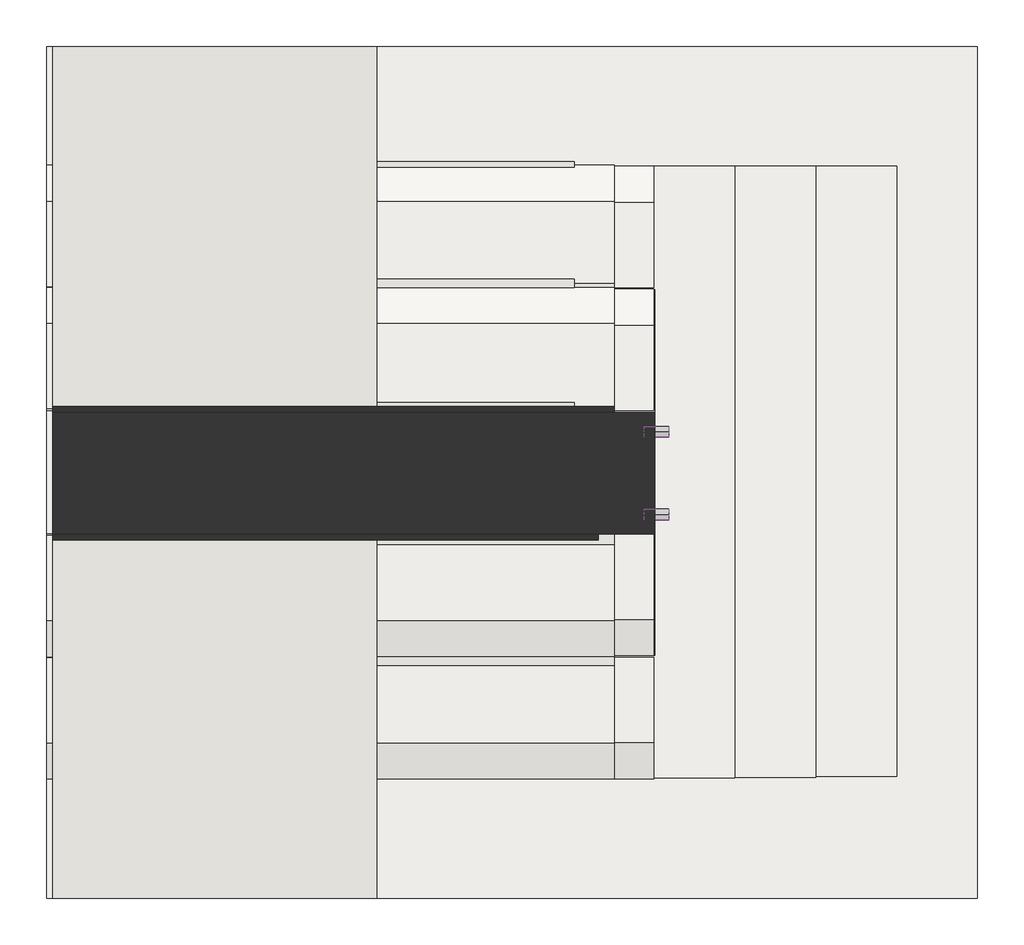
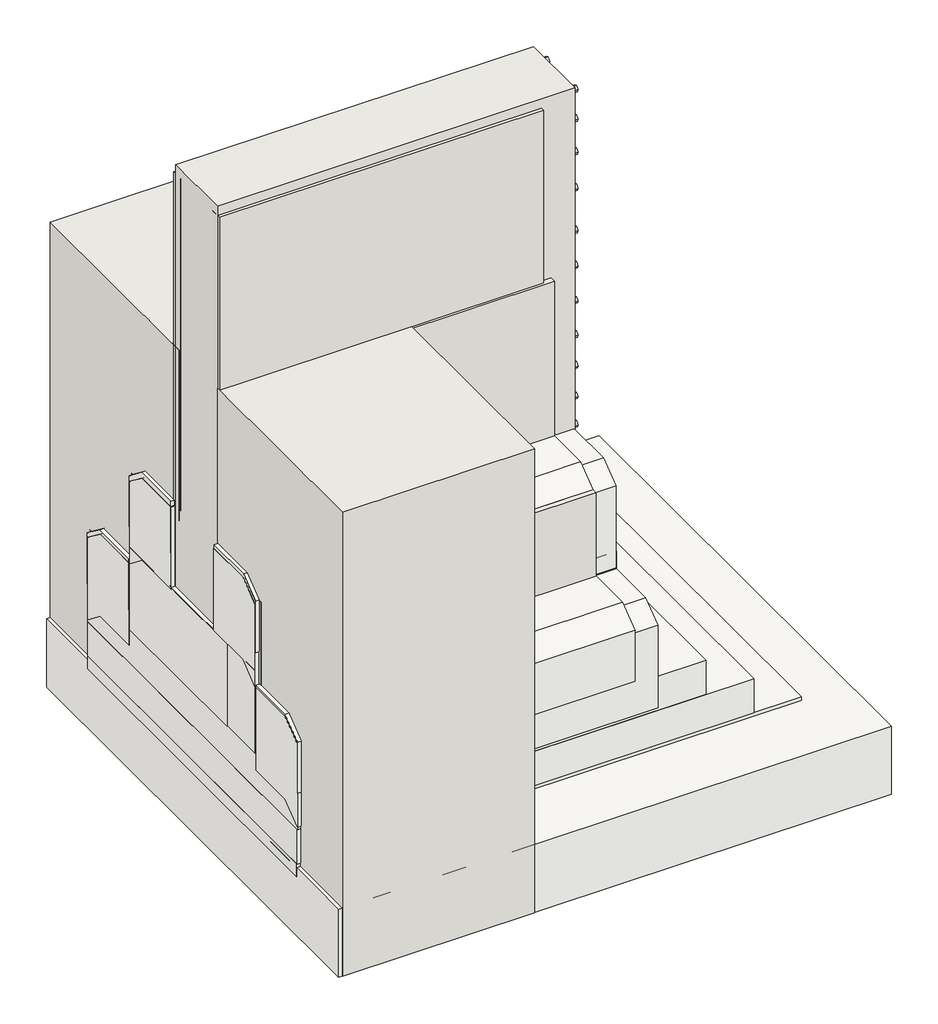
# One storey: 26 pipe segments, 13 slabs, 12 walls, 1 covering.
"""IFC4 building model written with IfcOpenShell, lengths in millimetres."""

from ifc_helpers import new_model, si_unit, point, frame, frame_2d, origin, origin_with_axes, place, context, project, spatial, polyline, circle_curve, trimmed, segment, composite_curve, outline, extrude, faceted_brep, element, save

model = new_model("IFC4")

# Units and contexts
model_context = context("Model", 3, world=origin())
ifc_project = project(units=[si_unit("LENGTHUNIT", "METRE", prefix="MILLI")], contexts=[model_context])

# Site, building, storey
site = spatial("IfcSite", under=ifc_project)
building = spatial("IfcBuilding", under=site)
storey = spatial("IfcBuildingStorey", under=building, Elevation=0.0)

# Covering
placement = place(None, origin())
element("IfcCovering", 1, at=placement, inside=storey, context=model_context, shape_type="SweptSolid", body=[
    extrude(outline(polyline([(-20905.9081132, 974.1942864), (-20905.9081132, -533.3441327), (-23005.9081132, -533.3441327), (-23005.9081132, 974.1942864), (-20905.9081132, 974.1942864)])), frame((0.0, 0.0, -1080.0), z_axis=(0.0, 0.0, 1.0), x_axis=(1.0, 0.0, 0.0)), (0.0, 0.0, 1.0), 57.0),
])

# Pipe segments
element("IfcPipeSegment", 2, at=placement, inside=storey, context=model_context, shape_type="SweptSolid", body=[
    extrude(outline(composite_curve([segment(trimmed(circle_curve(frame_2d((317.6558695, -296.8)), 13.335), [point((330.9908695, -296.8))], [point((317.6558695, -310.135))], False, "CARTESIAN"), True, "CONTINUOUS"), segment(trimmed(circle_curve(frame_2d((317.6558695, -296.8)), 13.335), [point((317.6558695, -310.135))], [point((304.3208695, -296.8))], False, "CARTESIAN"), True, "CONTINUOUS"), segment(trimmed(circle_curve(frame_2d((317.6558695, -296.8)), 13.335), [point((304.3208695, -296.8))], [point((317.6558695, -283.465))], False, "CARTESIAN"), True, "CONTINUOUS"), segment(trimmed(circle_curve(frame_2d((317.6558695, -296.8)), 13.335), [point((317.6558695, -283.465))], [point((330.9908695, -296.8))], False, "CARTESIAN"), True, "CONTINUOUS")], self_intersect=False)), frame((-21529.1816929, 0.0, 0.0), z_axis=(1.0, 0.0, 0.0), x_axis=(0.0, 1.0, 0.0)), (0.0, 0.0, 1.0), 60.0),
])
element("IfcPipeSegment", 3, at=placement, inside=storey, context=model_context, shape_type="SweptSolid", body=[
    extrude(outline(composite_curve([segment(trimmed(circle_curve(frame_2d((113.0511207, -296.8)), 13.335), [point((126.3861207, -296.8))], [point((113.0511207, -310.135))], False, "CARTESIAN"), True, "CONTINUOUS"), segment(trimmed(circle_curve(frame_2d((113.0511207, -296.8)), 13.335), [point((113.0511207, -310.135))], [point((99.7161207, -296.8))], False, "CARTESIAN"), True, "CONTINUOUS"), segment(trimmed(circle_curve(frame_2d((113.0511207, -296.8)), 13.335), [point((99.7161207, -296.8))], [point((113.0511207, -283.465))], False, "CARTESIAN"), True, "CONTINUOUS"), segment(trimmed(circle_curve(frame_2d((113.0511207, -296.8)), 13.335), [point((113.0511207, -283.465))], [point((126.3861207, -296.8))], False, "CARTESIAN"), True, "CONTINUOUS")], self_intersect=False)), frame((-21529.1816929, 0.0, 0.0), z_axis=(1.0, 0.0, 0.0), x_axis=(0.0, 1.0, 0.0)), (0.0, 0.0, 1.0), 60.0),
])
element("IfcPipeSegment", 4, at=placement, inside=storey, context=model_context, shape_type="SweptSolid", body=[
    extrude(outline(composite_curve([segment(trimmed(circle_curve(frame_2d((317.6558695, -146.8)), 13.335), [point((330.9908695, -146.8))], [point((317.6558695, -160.135))], False, "CARTESIAN"), True, "CONTINUOUS"), segment(trimmed(circle_curve(frame_2d((317.6558695, -146.8)), 13.335), [point((317.6558695, -160.135))], [point((304.3208695, -146.8))], False, "CARTESIAN"), True, "CONTINUOUS"), segment(trimmed(circle_curve(frame_2d((317.6558695, -146.8)), 13.335), [point((304.3208695, -146.8))], [point((317.6558695, -133.465))], False, "CARTESIAN"), True, "CONTINUOUS"), segment(trimmed(circle_curve(frame_2d((317.6558695, -146.8)), 13.335), [point((317.6558695, -133.465))], [point((330.9908695, -146.8))], False, "CARTESIAN"), True, "CONTINUOUS")], self_intersect=False)), frame((-21529.1816929, 0.0, 0.0), z_axis=(1.0, 0.0, 0.0), x_axis=(0.0, 1.0, 0.0)), (0.0, 0.0, 1.0), 60.0),
])
element("IfcPipeSegment", 5, at=placement, inside=storey, context=model_context, shape_type="SweptSolid", body=[
    extrude(outline(composite_curve([segment(trimmed(circle_curve(frame_2d((113.0511207, -146.8)), 13.335), [point((126.3861207, -146.8))], [point((113.0511207, -160.135))], False, "CARTESIAN"), True, "CONTINUOUS"), segment(trimmed(circle_curve(frame_2d((113.0511207, -146.8)), 13.335), [point((113.0511207, -160.135))], [point((99.7161207, -146.8))], False, "CARTESIAN"), True, "CONTINUOUS"), segment(trimmed(circle_curve(frame_2d((113.0511207, -146.8)), 13.335), [point((99.7161207, -146.8))], [point((113.0511207, -133.465))], False, "CARTESIAN"), True, "CONTINUOUS"), segment(trimmed(circle_curve(frame_2d((113.0511207, -146.8)), 13.335), [point((113.0511207, -133.465))], [point((126.3861207, -146.8))], False, "CARTESIAN"), True, "CONTINUOUS")], self_intersect=False)), frame((-21529.1816929, 0.0, 0.0), z_axis=(1.0, 0.0, 0.0), x_axis=(0.0, 1.0, 0.0)), (0.0, 0.0, 1.0), 60.0),
])
element("IfcPipeSegment", 6, at=placement, inside=storey, context=model_context, shape_type="SweptSolid", body=[
    extrude(outline(composite_curve([segment(trimmed(circle_curve(frame_2d((317.6558695, -16.8)), 13.335), [point((330.9908695, -16.8))], [point((317.6558695, -30.135))], False, "CARTESIAN"), True, "CONTINUOUS"), segment(trimmed(circle_curve(frame_2d((317.6558695, -16.8)), 13.335), [point((317.6558695, -30.135))], [point((304.3208695, -16.8))], False, "CARTESIAN"), True, "CONTINUOUS"), segment(trimmed(circle_curve(frame_2d((317.6558695, -16.8)), 13.335), [point((304.3208695, -16.8))], [point((317.6558695, -3.465))], False, "CARTESIAN"), True, "CONTINUOUS"), segment(trimmed(circle_curve(frame_2d((317.6558695, -16.8)), 13.335), [point((317.6558695, -3.465))], [point((330.9908695, -16.8))], False, "CARTESIAN"), True, "CONTINUOUS")], self_intersect=False)), frame((-21529.1816929, 0.0, 0.0), z_axis=(1.0, 0.0, 0.0), x_axis=(0.0, 1.0, 0.0)), (0.0, 0.0, 1.0), 60.0),
])
element("IfcPipeSegment", 7, at=placement, inside=storey, context=model_context, shape_type="SweptSolid", body=[
    extrude(outline(composite_curve([segment(trimmed(circle_curve(frame_2d((113.0511207, -16.8)), 13.335), [point((126.3861207, -16.8))], [point((113.0511207, -30.135))], False, "CARTESIAN"), True, "CONTINUOUS"), segment(trimmed(circle_curve(frame_2d((113.0511207, -16.8)), 13.335), [point((113.0511207, -30.135))], [point((99.7161207, -16.8))], False, "CARTESIAN"), True, "CONTINUOUS"), segment(trimmed(circle_curve(frame_2d((113.0511207, -16.8)), 13.335), [point((99.7161207, -16.8))], [point((113.0511207, -3.465))], False, "CARTESIAN"), True, "CONTINUOUS"), segment(trimmed(circle_curve(frame_2d((113.0511207, -16.8)), 13.335), [point((113.0511207, -3.465))], [point((126.3861207, -16.8))], False, "CARTESIAN"), True, "CONTINUOUS")], self_intersect=False)), frame((-21529.1816929, 0.0, 0.0), z_axis=(1.0, 0.0, 0.0), x_axis=(0.0, 1.0, 0.0)), (0.0, 0.0, 1.0), 60.0),
])
element("IfcPipeSegment", 8, at=placement, inside=storey, context=model_context, shape_type="SweptSolid", body=[
    extrude(outline(composite_curve([segment(trimmed(circle_curve(frame_2d((317.6558695, 108.2)), 13.335), [point((330.9908695, 108.2))], [point((317.6558695, 94.865))], False, "CARTESIAN"), True, "CONTINUOUS"), segment(trimmed(circle_curve(frame_2d((317.6558695, 108.2)), 13.335), [point((317.6558695, 94.865))], [point((304.3208695, 108.2))], False, "CARTESIAN"), True, "CONTINUOUS"), segment(trimmed(circle_curve(frame_2d((317.6558695, 108.2)), 13.335), [point((304.3208695, 108.2))], [point((317.6558695, 121.535))], False, "CARTESIAN"), True, "CONTINUOUS"), segment(trimmed(circle_curve(frame_2d((317.6558695, 108.2)), 13.335), [point((317.6558695, 121.535))], [point((330.9908695, 108.2))], False, "CARTESIAN"), True, "CONTINUOUS")], self_intersect=False)), frame((-21529.1816929, 0.0, 0.0), z_axis=(1.0, 0.0, 0.0), x_axis=(0.0, 1.0, 0.0)), (0.0, 0.0, 1.0), 60.0),
])
element("IfcPipeSegment", 9, at=placement, inside=storey, context=model_context, shape_type="SweptSolid", body=[
    extrude(outline(composite_curve([segment(trimmed(circle_curve(frame_2d((113.0511207, 108.2)), 13.335), [point((126.3861207, 108.2))], [point((113.0511207, 94.865))], False, "CARTESIAN"), True, "CONTINUOUS"), segment(trimmed(circle_curve(frame_2d((113.0511207, 108.2)), 13.335), [point((113.0511207, 94.865))], [point((99.7161207, 108.2))], False, "CARTESIAN"), True, "CONTINUOUS"), segment(trimmed(circle_curve(frame_2d((113.0511207, 108.2)), 13.335), [point((99.7161207, 108.2))], [point((113.0511207, 121.535))], False, "CARTESIAN"), True, "CONTINUOUS"), segment(trimmed(circle_curve(frame_2d((113.0511207, 108.2)), 13.335), [point((113.0511207, 121.535))], [point((126.3861207, 108.2))], False, "CARTESIAN"), True, "CONTINUOUS")], self_intersect=False)), frame((-21529.1816929, 0.0, 0.0), z_axis=(1.0, 0.0, 0.0), x_axis=(0.0, 1.0, 0.0)), (0.0, 0.0, 1.0), 60.0),
])
element("IfcPipeSegment", 10, at=placement, inside=storey, context=model_context, shape_type="SweptSolid", body=[
    extrude(outline(composite_curve([segment(trimmed(circle_curve(frame_2d((317.6558695, 243.2)), 13.335), [point((330.9908695, 243.2))], [point((317.6558695, 229.865))], False, "CARTESIAN"), True, "CONTINUOUS"), segment(trimmed(circle_curve(frame_2d((317.6558695, 243.2)), 13.335), [point((317.6558695, 229.865))], [point((304.3208695, 243.2))], False, "CARTESIAN"), True, "CONTINUOUS"), segment(trimmed(circle_curve(frame_2d((317.6558695, 243.2)), 13.335), [point((304.3208695, 243.2))], [point((317.6558695, 256.535))], False, "CARTESIAN"), True, "CONTINUOUS"), segment(trimmed(circle_curve(frame_2d((317.6558695, 243.2)), 13.335), [point((317.6558695, 256.535))], [point((330.9908695, 243.2))], False, "CARTESIAN"), True, "CONTINUOUS")], self_intersect=False)), frame((-21529.1816929, 0.0, 0.0), z_axis=(1.0, 0.0, 0.0), x_axis=(0.0, 1.0, 0.0)), (0.0, 0.0, 1.0), 60.0),
])
element("IfcPipeSegment", 11, at=placement, inside=storey, context=model_context, shape_type="SweptSolid", body=[
    extrude(outline(composite_curve([segment(trimmed(circle_curve(frame_2d((113.0511207, 243.2)), 13.335), [point((126.3861207, 243.2))], [point((113.0511207, 229.865))], False, "CARTESIAN"), True, "CONTINUOUS"), segment(trimmed(circle_curve(frame_2d((113.0511207, 243.2)), 13.335), [point((113.0511207, 229.865))], [point((99.7161207, 243.2))], False, "CARTESIAN"), True, "CONTINUOUS"), segment(trimmed(circle_curve(frame_2d((113.0511207, 243.2)), 13.335), [point((99.7161207, 243.2))], [point((113.0511207, 256.535))], False, "CARTESIAN"), True, "CONTINUOUS"), segment(trimmed(circle_curve(frame_2d((113.0511207, 243.2)), 13.335), [point((113.0511207, 256.535))], [point((126.3861207, 243.2))], False, "CARTESIAN"), True, "CONTINUOUS")], self_intersect=False)), frame((-21529.1816929, 0.0, 0.0), z_axis=(1.0, 0.0, 0.0), x_axis=(0.0, 1.0, 0.0)), (0.0, 0.0, 1.0), 60.0),
])
element("IfcPipeSegment", 12, at=placement, inside=storey, context=model_context, shape_type="SweptSolid", body=[
    extrude(outline(composite_curve([segment(trimmed(circle_curve(frame_2d((317.6558695, 378.2)), 13.335), [point((330.9908695, 378.2))], [point((317.6558695, 364.865))], False, "CARTESIAN"), True, "CONTINUOUS"), segment(trimmed(circle_curve(frame_2d((317.6558695, 378.2)), 13.335), [point((317.6558695, 364.865))], [point((304.3208695, 378.2))], False, "CARTESIAN"), True, "CONTINUOUS"), segment(trimmed(circle_curve(frame_2d((317.6558695, 378.2)), 13.335), [point((304.3208695, 378.2))], [point((317.6558695, 391.535))], False, "CARTESIAN"), True, "CONTINUOUS"), segment(trimmed(circle_curve(frame_2d((317.6558695, 378.2)), 13.335), [point((317.6558695, 391.535))], [point((330.9908695, 378.2))], False, "CARTESIAN"), True, "CONTINUOUS")], self_intersect=False)), frame((-21529.1816929, 0.0, 0.0), z_axis=(1.0, 0.0, 0.0), x_axis=(0.0, 1.0, 0.0)), (0.0, 0.0, 1.0), 60.0),
])
element("IfcPipeSegment", 13, at=placement, inside=storey, context=model_context, shape_type="SweptSolid", body=[
    extrude(outline(composite_curve([segment(trimmed(circle_curve(frame_2d((113.0511207, 378.2)), 13.335), [point((126.3861207, 378.2))], [point((113.0511207, 364.865))], False, "CARTESIAN"), True, "CONTINUOUS"), segment(trimmed(circle_curve(frame_2d((113.0511207, 378.2)), 13.335), [point((113.0511207, 364.865))], [point((99.7161207, 378.2))], False, "CARTESIAN"), True, "CONTINUOUS"), segment(trimmed(circle_curve(frame_2d((113.0511207, 378.2)), 13.335), [point((99.7161207, 378.2))], [point((113.0511207, 391.535))], False, "CARTESIAN"), True, "CONTINUOUS"), segment(trimmed(circle_curve(frame_2d((113.0511207, 378.2)), 13.335), [point((113.0511207, 391.535))], [point((126.3861207, 378.2))], False, "CARTESIAN"), True, "CONTINUOUS")], self_intersect=False)), frame((-21529.1816929, 0.0, 0.0), z_axis=(1.0, 0.0, 0.0), x_axis=(0.0, 1.0, 0.0)), (0.0, 0.0, 1.0), 60.0),
])
element("IfcPipeSegment", 14, at=placement, inside=storey, context=model_context, shape_type="SweptSolid", body=[
    extrude(outline(composite_curve([segment(trimmed(circle_curve(frame_2d((317.6558695, 528.2)), 13.335), [point((330.9908695, 528.2))], [point((317.6558695, 514.865))], False, "CARTESIAN"), True, "CONTINUOUS"), segment(trimmed(circle_curve(frame_2d((317.6558695, 528.2)), 13.335), [point((317.6558695, 514.865))], [point((304.3208695, 528.2))], False, "CARTESIAN"), True, "CONTINUOUS"), segment(trimmed(circle_curve(frame_2d((317.6558695, 528.2)), 13.335), [point((304.3208695, 528.2))], [point((317.6558695, 541.535))], False, "CARTESIAN"), True, "CONTINUOUS"), segment(trimmed(circle_curve(frame_2d((317.6558695, 528.2)), 13.335), [point((317.6558695, 541.535))], [point((330.9908695, 528.2))], False, "CARTESIAN"), True, "CONTINUOUS")], self_intersect=False)), frame((-21529.1816929, 0.0, 0.0), z_axis=(1.0, 0.0, 0.0), x_axis=(0.0, 1.0, 0.0)), (0.0, 0.0, 1.0), 60.0),
])
element("IfcPipeSegment", 15, at=placement, inside=storey, context=model_context, shape_type="SweptSolid", body=[
    extrude(outline(composite_curve([segment(trimmed(circle_curve(frame_2d((113.0511207, 528.2)), 13.335), [point((126.3861207, 528.2))], [point((113.0511207, 514.865))], False, "CARTESIAN"), True, "CONTINUOUS"), segment(trimmed(circle_curve(frame_2d((113.0511207, 528.2)), 13.335), [point((113.0511207, 514.865))], [point((99.7161207, 528.2))], False, "CARTESIAN"), True, "CONTINUOUS"), segment(trimmed(circle_curve(frame_2d((113.0511207, 528.2)), 13.335), [point((99.7161207, 528.2))], [point((113.0511207, 541.535))], False, "CARTESIAN"), True, "CONTINUOUS"), segment(trimmed(circle_curve(frame_2d((113.0511207, 528.2)), 13.335), [point((113.0511207, 541.535))], [point((126.3861207, 528.2))], False, "CARTESIAN"), True, "CONTINUOUS")], self_intersect=False)), frame((-21529.1816929, 0.0, 0.0), z_axis=(1.0, 0.0, 0.0), x_axis=(0.0, 1.0, 0.0)), (0.0, 0.0, 1.0), 60.0),
])
element("IfcPipeSegment", 16, at=placement, inside=storey, context=model_context, shape_type="SweptSolid", body=[
    extrude(outline(composite_curve([segment(trimmed(circle_curve(frame_2d((317.6558695, 683.2)), 13.335), [point((330.9908695, 683.2))], [point((317.6558695, 669.865))], False, "CARTESIAN"), True, "CONTINUOUS"), segment(trimmed(circle_curve(frame_2d((317.6558695, 683.2)), 13.335), [point((317.6558695, 669.865))], [point((304.3208695, 683.2))], False, "CARTESIAN"), True, "CONTINUOUS"), segment(trimmed(circle_curve(frame_2d((317.6558695, 683.2)), 13.335), [point((304.3208695, 683.2))], [point((317.6558695, 696.535))], False, "CARTESIAN"), True, "CONTINUOUS"), segment(trimmed(circle_curve(frame_2d((317.6558695, 683.2)), 13.335), [point((317.6558695, 696.535))], [point((330.9908695, 683.2))], False, "CARTESIAN"), True, "CONTINUOUS")], self_intersect=False)), frame((-21529.1816929, 0.0, 0.0), z_axis=(1.0, 0.0, 0.0), x_axis=(0.0, 1.0, 0.0)), (0.0, 0.0, 1.0), 60.0),
])
element("IfcPipeSegment", 17, at=placement, inside=storey, context=model_context, shape_type="SweptSolid", body=[
    extrude(outline(composite_curve([segment(trimmed(circle_curve(frame_2d((113.0511207, 683.2)), 13.335), [point((126.3861207, 683.2))], [point((113.0511207, 669.865))], False, "CARTESIAN"), True, "CONTINUOUS"), segment(trimmed(circle_curve(frame_2d((113.0511207, 683.2)), 13.335), [point((113.0511207, 669.865))], [point((99.7161207, 683.2))], False, "CARTESIAN"), True, "CONTINUOUS"), segment(trimmed(circle_curve(frame_2d((113.0511207, 683.2)), 13.335), [point((99.7161207, 683.2))], [point((113.0511207, 696.535))], False, "CARTESIAN"), True, "CONTINUOUS"), segment(trimmed(circle_curve(frame_2d((113.0511207, 683.2)), 13.335), [point((113.0511207, 696.535))], [point((126.3861207, 683.2))], False, "CARTESIAN"), True, "CONTINUOUS")], self_intersect=False)), frame((-21529.1816929, 0.0, 0.0), z_axis=(1.0, 0.0, 0.0), x_axis=(0.0, 1.0, 0.0)), (0.0, 0.0, 1.0), 60.0),
])
element("IfcPipeSegment", 18, at=placement, inside=storey, context=model_context, shape_type="SweptSolid", body=[
    extrude(outline(composite_curve([segment(trimmed(circle_curve(frame_2d((317.6558695, 838.2)), 13.335), [point((330.9908695, 838.2))], [point((317.6558695, 824.865))], False, "CARTESIAN"), True, "CONTINUOUS"), segment(trimmed(circle_curve(frame_2d((317.6558695, 838.2)), 13.335), [point((317.6558695, 824.865))], [point((304.3208695, 838.2))], False, "CARTESIAN"), True, "CONTINUOUS"), segment(trimmed(circle_curve(frame_2d((317.6558695, 838.2)), 13.335), [point((304.3208695, 838.2))], [point((317.6558695, 851.535))], False, "CARTESIAN"), True, "CONTINUOUS"), segment(trimmed(circle_curve(frame_2d((317.6558695, 838.2)), 13.335), [point((317.6558695, 851.535))], [point((330.9908695, 838.2))], False, "CARTESIAN"), True, "CONTINUOUS")], self_intersect=False)), frame((-21529.1816929, 0.0, 0.0), z_axis=(1.0, 0.0, 0.0), x_axis=(0.0, 1.0, 0.0)), (0.0, 0.0, 1.0), 60.0),
])
element("IfcPipeSegment", 19, at=placement, inside=storey, context=model_context, shape_type="SweptSolid", body=[
    extrude(outline(composite_curve([segment(trimmed(circle_curve(frame_2d((113.0511207, 838.2)), 13.335), [point((126.3861207, 838.2))], [point((113.0511207, 824.865))], False, "CARTESIAN"), True, "CONTINUOUS"), segment(trimmed(circle_curve(frame_2d((113.0511207, 838.2)), 13.335), [point((113.0511207, 824.865))], [point((99.7161207, 838.2))], False, "CARTESIAN"), True, "CONTINUOUS"), segment(trimmed(circle_curve(frame_2d((113.0511207, 838.2)), 13.335), [point((99.7161207, 838.2))], [point((113.0511207, 851.535))], False, "CARTESIAN"), True, "CONTINUOUS"), segment(trimmed(circle_curve(frame_2d((113.0511207, 838.2)), 13.335), [point((113.0511207, 851.535))], [point((126.3861207, 838.2))], False, "CARTESIAN"), True, "CONTINUOUS")], self_intersect=False)), frame((-21529.1816929, 0.0, 0.0), z_axis=(1.0, 0.0, 0.0), x_axis=(0.0, 1.0, 0.0)), (0.0, 0.0, 1.0), 60.0),
])
element("IfcPipeSegment", 20, at=placement, inside=storey, context=model_context, shape_type="SweptSolid", body=[
    extrude(outline(composite_curve([segment(trimmed(circle_curve(frame_2d((317.6558695, 1023.2)), 13.335), [point((330.9908695, 1023.2))], [point((317.6558695, 1009.865))], False, "CARTESIAN"), True, "CONTINUOUS"), segment(trimmed(circle_curve(frame_2d((317.6558695, 1023.2)), 13.335), [point((317.6558695, 1009.865))], [point((304.3208695, 1023.2))], False, "CARTESIAN"), True, "CONTINUOUS"), segment(trimmed(circle_curve(frame_2d((317.6558695, 1023.2)), 13.335), [point((304.3208695, 1023.2))], [point((317.6558695, 1036.535))], False, "CARTESIAN"), True, "CONTINUOUS"), segment(trimmed(circle_curve(frame_2d((317.6558695, 1023.2)), 13.335), [point((317.6558695, 1036.535))], [point((330.9908695, 1023.2))], False, "CARTESIAN"), True, "CONTINUOUS")], self_intersect=False)), frame((-21529.1816929, 0.0, 0.0), z_axis=(1.0, 0.0, 0.0), x_axis=(0.0, 1.0, 0.0)), (0.0, 0.0, 1.0), 60.0),
])
element("IfcPipeSegment", 21, at=placement, inside=storey, context=model_context, shape_type="SweptSolid", body=[
    extrude(outline(composite_curve([segment(trimmed(circle_curve(frame_2d((113.0511207, 1023.2)), 13.335), [point((126.3861207, 1023.2))], [point((113.0511207, 1009.865))], False, "CARTESIAN"), True, "CONTINUOUS"), segment(trimmed(circle_curve(frame_2d((113.0511207, 1023.2)), 13.335), [point((113.0511207, 1009.865))], [point((99.7161207, 1023.2))], False, "CARTESIAN"), True, "CONTINUOUS"), segment(trimmed(circle_curve(frame_2d((113.0511207, 1023.2)), 13.335), [point((99.7161207, 1023.2))], [point((113.0511207, 1036.535))], False, "CARTESIAN"), True, "CONTINUOUS"), segment(trimmed(circle_curve(frame_2d((113.0511207, 1023.2)), 13.335), [point((113.0511207, 1036.535))], [point((126.3861207, 1023.2))], False, "CARTESIAN"), True, "CONTINUOUS")], self_intersect=False)), frame((-21529.1816929, 0.0, 0.0), z_axis=(1.0, 0.0, 0.0), x_axis=(0.0, 1.0, 0.0)), (0.0, 0.0, 1.0), 60.0),
])
element("IfcPipeSegment", 22, at=placement, inside=storey, context=model_context, shape_type="SweptSolid", body=[
    extrude(outline(composite_curve([segment(trimmed(circle_curve(frame_2d((317.6558695, 1183.2)), 13.335), [point((330.9908695, 1183.2))], [point((317.6558695, 1169.865))], False, "CARTESIAN"), True, "CONTINUOUS"), segment(trimmed(circle_curve(frame_2d((317.6558695, 1183.2)), 13.335), [point((317.6558695, 1169.865))], [point((304.3208695, 1183.2))], False, "CARTESIAN"), True, "CONTINUOUS"), segment(trimmed(circle_curve(frame_2d((317.6558695, 1183.2)), 13.335), [point((304.3208695, 1183.2))], [point((317.6558695, 1196.535))], False, "CARTESIAN"), True, "CONTINUOUS"), segment(trimmed(circle_curve(frame_2d((317.6558695, 1183.2)), 13.335), [point((317.6558695, 1196.535))], [point((330.9908695, 1183.2))], False, "CARTESIAN"), True, "CONTINUOUS")], self_intersect=False)), frame((-21529.1816929, 0.0, 0.0), z_axis=(1.0, 0.0, 0.0), x_axis=(0.0, 1.0, 0.0)), (0.0, 0.0, 1.0), 60.0),
])
element("IfcPipeSegment", 23, at=placement, inside=storey, context=model_context, shape_type="SweptSolid", body=[
    extrude(outline(composite_curve([segment(trimmed(circle_curve(frame_2d((113.0511207, 1183.2)), 13.335), [point((126.3861207, 1183.2))], [point((113.0511207, 1169.865))], False, "CARTESIAN"), True, "CONTINUOUS"), segment(trimmed(circle_curve(frame_2d((113.0511207, 1183.2)), 13.335), [point((113.0511207, 1169.865))], [point((99.7161207, 1183.2))], False, "CARTESIAN"), True, "CONTINUOUS"), segment(trimmed(circle_curve(frame_2d((113.0511207, 1183.2)), 13.335), [point((99.7161207, 1183.2))], [point((113.0511207, 1196.535))], False, "CARTESIAN"), True, "CONTINUOUS"), segment(trimmed(circle_curve(frame_2d((113.0511207, 1183.2)), 13.335), [point((113.0511207, 1196.535))], [point((126.3861207, 1183.2))], False, "CARTESIAN"), True, "CONTINUOUS")], self_intersect=False)), frame((-21529.1816929, 0.0, 0.0), z_axis=(1.0, 0.0, 0.0), x_axis=(0.0, 1.0, 0.0)), (0.0, 0.0, 1.0), 60.0),
])
element("IfcPipeSegment", 24, at=placement, inside=storey, context=model_context, shape_type="SweptSolid", body=[
    extrude(outline(composite_curve([segment(trimmed(circle_curve(frame_2d((317.6558695, 1328.2)), 13.335), [point((330.9908695, 1328.2))], [point((317.6558695, 1314.865))], False, "CARTESIAN"), True, "CONTINUOUS"), segment(trimmed(circle_curve(frame_2d((317.6558695, 1328.2)), 13.335), [point((317.6558695, 1314.865))], [point((304.3208695, 1328.2))], False, "CARTESIAN"), True, "CONTINUOUS"), segment(trimmed(circle_curve(frame_2d((317.6558695, 1328.2)), 13.335), [point((304.3208695, 1328.2))], [point((317.6558695, 1341.535))], False, "CARTESIAN"), True, "CONTINUOUS"), segment(trimmed(circle_curve(frame_2d((317.6558695, 1328.2)), 13.335), [point((317.6558695, 1341.535))], [point((330.9908695, 1328.2))], False, "CARTESIAN"), True, "CONTINUOUS")], self_intersect=False)), frame((-21529.1816929, 0.0, 0.0), z_axis=(1.0, 0.0, 0.0), x_axis=(0.0, 1.0, 0.0)), (0.0, 0.0, 1.0), 60.0),
])
element("IfcPipeSegment", 25, at=placement, inside=storey, context=model_context, shape_type="SweptSolid", body=[
    extrude(outline(composite_curve([segment(trimmed(circle_curve(frame_2d((113.0511207, 1328.2)), 13.335), [point((126.3861207, 1328.2))], [point((113.0511207, 1314.865))], False, "CARTESIAN"), True, "CONTINUOUS"), segment(trimmed(circle_curve(frame_2d((113.0511207, 1328.2)), 13.335), [point((113.0511207, 1314.865))], [point((99.7161207, 1328.2))], False, "CARTESIAN"), True, "CONTINUOUS"), segment(trimmed(circle_curve(frame_2d((113.0511207, 1328.2)), 13.335), [point((99.7161207, 1328.2))], [point((113.0511207, 1341.535))], False, "CARTESIAN"), True, "CONTINUOUS"), segment(trimmed(circle_curve(frame_2d((113.0511207, 1328.2)), 13.335), [point((113.0511207, 1341.535))], [point((126.3861207, 1328.2))], False, "CARTESIAN"), True, "CONTINUOUS")], self_intersect=False)), frame((-21529.1816929, 0.0, 0.0), z_axis=(1.0, 0.0, 0.0), x_axis=(0.0, 1.0, 0.0)), (0.0, 0.0, 1.0), 60.0),
])
element("IfcPipeSegment", 26, at=placement, inside=storey, context=model_context, shape_type="SweptSolid", body=[
    extrude(outline(composite_curve([segment(trimmed(circle_curve(frame_2d((317.6558695, 1458.2)), 13.335), [point((330.9908695, 1458.2))], [point((317.6558695, 1444.865))], False, "CARTESIAN"), True, "CONTINUOUS"), segment(trimmed(circle_curve(frame_2d((317.6558695, 1458.2)), 13.335), [point((317.6558695, 1444.865))], [point((304.3208695, 1458.2))], False, "CARTESIAN"), True, "CONTINUOUS"), segment(trimmed(circle_curve(frame_2d((317.6558695, 1458.2)), 13.335), [point((304.3208695, 1458.2))], [point((317.6558695, 1471.535))], False, "CARTESIAN"), True, "CONTINUOUS"), segment(trimmed(circle_curve(frame_2d((317.6558695, 1458.2)), 13.335), [point((317.6558695, 1471.535))], [point((330.9908695, 1458.2))], False, "CARTESIAN"), True, "CONTINUOUS")], self_intersect=False)), frame((-21529.1816929, 0.0, 0.0), z_axis=(1.0, 0.0, 0.0), x_axis=(0.0, 1.0, 0.0)), (0.0, 0.0, 1.0), 60.0),
])
element("IfcPipeSegment", 27, at=placement, inside=storey, context=model_context, shape_type="SweptSolid", body=[
    extrude(outline(composite_curve([segment(trimmed(circle_curve(frame_2d((113.0511207, 1458.2)), 13.335), [point((126.3861207, 1458.2))], [point((113.0511207, 1444.865))], False, "CARTESIAN"), True, "CONTINUOUS"), segment(trimmed(circle_curve(frame_2d((113.0511207, 1458.2)), 13.335), [point((113.0511207, 1444.865))], [point((99.7161207, 1458.2))], False, "CARTESIAN"), True, "CONTINUOUS"), segment(trimmed(circle_curve(frame_2d((113.0511207, 1458.2)), 13.335), [point((99.7161207, 1458.2))], [point((113.0511207, 1471.535))], False, "CARTESIAN"), True, "CONTINUOUS"), segment(trimmed(circle_curve(frame_2d((113.0511207, 1458.2)), 13.335), [point((113.0511207, 1471.535))], [point((126.3861207, 1458.2))], False, "CARTESIAN"), True, "CONTINUOUS")], self_intersect=False)), frame((-21529.1816929, 0.0, 0.0), z_axis=(1.0, 0.0, 0.0), x_axis=(0.0, 1.0, 0.0)), (0.0, 0.0, 1.0), 60.0),
])

# Slabs
element("IfcSlab", 28, at=placement, inside=storey, context=model_context, shape_type="SweptSolid", body=[
    extrude(outline(polyline([(370.0324103, -364.5716238), (370.0324103, -2.5716238), (580.6103188, -2.5716238), (670.0324103, -70.8526676), (670.0324103, -432.8526676), (580.6103188, -364.5716238), (370.0324103, -364.5716238)])), frame((-23005.9081132, 0.0, 0.0), z_axis=(1.0, 0.0, 0.0), x_axis=(0.0, 1.0, 0.0)), (0.0, 0.0, 1.0), 1500.0),
])
element("IfcSlab", 29, at=placement, inside=storey, context=model_context, shape_type="SweptSolid", body=[
    extrude(outline(polyline([(674.1942864, -795.2473964), (674.1942864, -433.2473964), (884.7721949, -433.2473964), (974.1942864, -501.5284401), (974.1942864, -863.5284401), (884.7721949, -795.2473964), (674.1942864, -795.2473964)])), frame((-23005.9081132, 0.0, 0.0), z_axis=(1.0, 0.0, 0.0), x_axis=(0.0, 1.0, 0.0)), (0.0, 0.0, 1.0), 1500.0),
])
element("IfcSlab", 30, at=placement, inside=storey, context=model_context, shape_type="SweptSolid", body=[
    extrude(outline(polyline([(-23005.9081132, 669.2125672), (-21502.6922002, 669.2125672), (-21502.6922002, -30.7874328), (-23005.9081132, -30.7874328), (-23005.9081132, 669.2125672)])), frame((0.0, 0.0, -722.5716238), z_axis=(0.0, 0.0, 1.0), x_axis=(1.0, 0.0, 0.0)), (0.0, 0.0, 1.0), 362.0),
])
element("IfcSlab", 31, at=placement, inside=storey, context=model_context, shape_type="SweptSolid", body=[
    extrude(outline(polyline([(-235.2838793, -427.70942), (-235.2838793, -65.70942), (-145.8617878, 2.5716238), (64.7161207, 2.5716238), (64.7161207, -359.4283762), (-145.8617878, -359.4283762), (-235.2838793, -427.70942)])), frame((-23005.9081132, 0.0, 0.0), z_axis=(1.0, 0.0, 0.0), x_axis=(0.0, 1.0, 0.0)), (0.0, 0.0, 1.0), 1500.0),
])
element("IfcSlab", 32, at=placement, inside=storey, context=model_context, shape_type="SweptSolid", body=[
    extrude(outline(polyline([(-539.4457554, -858.3851925), (-539.4457554, -496.3851925), (-450.0236639, -428.1041487), (-239.4457554, -428.1041487), (-239.4457554, -790.1041487), (-450.0236639, -790.1041487), (-539.4457554, -858.3851925)])), frame((-23005.9081132, 0.0, 0.0), z_axis=(1.0, 0.0, 0.0), x_axis=(0.0, 1.0, 0.0)), (0.0, 0.0, 1.0), 1500.0),
])
element("IfcSlab", 33, at=placement, inside=storey, context=model_context, shape_type="SweptSolid", body=[
    extrude(outline(polyline([(-21502.6922002, -234.4640361), (-23005.9081132, -234.4640361), (-23005.9081132, 465.5359639), (-21502.6922002, 465.5359639), (-21502.6922002, -234.4640361)])), frame((0.0, 0.0, -717.4283762), z_axis=(0.0, 0.0, 1.0), x_axis=(1.0, 0.0, 0.0)), (0.0, 0.0, 1.0), 362.0),
])
element("IfcSlab", 34, at=placement, inside=storey, context=model_context, shape_type="SweptSolid", body=[
    extrude(outline(polyline([(-23005.9081132, -538.090153), (-23005.9081132, 974.1942864), (-21305.9081132, 974.1942864), (-21305.9081132, -538.090153), (-23005.9081132, -538.090153)])), frame((0.0, 0.0, -870.0), z_axis=(0.0, 0.0, 1.0), x_axis=(1.0, 0.0, 0.0)), (0.0, 0.0, 1.0), 150.0),
])
element("IfcSlab", 35, at=placement, inside=storey, context=model_context, shape_type="SweptSolid", body=[
    extrude(outline(polyline([(-23005.9081132, -536.4088162), (-23005.9081132, 974.1942864), (-21105.9081132, 974.1942864), (-21105.9081132, -536.4088162), (-23005.9081132, -536.4088162)])), frame((0.0, 0.0, -1022.4339845), z_axis=(0.0, 0.0, 1.0), x_axis=(1.0, 0.0, 0.0)), (0.0, 0.0, 1.0), 150.0),
])
element("IfcSlab", 36, at=placement, inside=storey, context=model_context, shape_type="SweptSolid", body=[
    extrude(outline(polyline([(-23005.9081132, -835.2838793), (-23005.9081132, 1270.0324103), (-20705.9081132, 1270.0324103), (-20705.9081132, -835.2838793), (-23005.9081132, -835.2838793)])), frame((0.0, 0.0, -1340.0), z_axis=(0.0, 0.0, 1.0), x_axis=(1.0, 0.0, 0.0)), (0.0, 0.0, 1.0), 300.0),
])
element("IfcSlab", 37, at=placement, inside=storey, context=model_context, shape_type="Brep", body=[
    faceted_brep([(-23005.9081132, 674.6816823, -273.2810438), (-23005.9081132, 674.6816823, -48.2810438), (-21602.6922002, 674.6816823, -48.2810438), (-21602.6922002, 674.6816823, -273.2810438), (-21602.6922002, 585.2595908, 20.0), (-21602.6922002, 379.7161207, 20.0), (-21602.6922002, 374.6816823, 20.0), (-21602.6922002, 374.6816823, 0.0), (-21602.6922002, 374.6816823, -205.0), (-21602.6922002, 585.2595908, -205.0), (-22990.1790263, 374.6816823, 20.0), (-23005.9081132, 374.6816823, 20.0), (-23005.9081132, 374.6816823, -205.0), (-23005.9081132, 585.2595908, 20.0), (-23005.9081132, 585.2595908, -205.0)], [[[0, 1, 2, 3]], [[3, 2, 4, 5, 6, 7, 8, 9]], [[8, 7, 6, 10, 11, 12]], [[12, 11, 13, 1, 0, 14]], [[11, 10, 6, 5, 4, 13]], [[12, 14, 9, 8]], [[2, 1, 13, 4]], [[3, 9, 14, 0]]]),
])
element("IfcSlab", 38, at=placement, inside=storey, context=model_context, shape_type="SweptSolid", body=[
    extrude(outline(polyline([(676.7623155, -640.0), (676.7623155, -415.0), (887.340224, -415.0), (976.7623155, -483.2810438), (976.7623155, -708.2810438), (887.340224, -640.0), (676.7623155, -640.0)])), frame((-23005.9081132, 0.0, 0.0), z_axis=(1.0, 0.0, 0.0), x_axis=(0.0, 1.0, 0.0)), (0.0, 0.0, 1.0), 1403.215913),
])
element("IfcSlab", 39, at=placement, inside=storey, context=model_context, shape_type="SweptSolid", body=[
    extrude(outline(polyline([(-238.5775488, -273.2810438), (-238.5775488, -48.2810438), (-149.1554573, 20.0), (61.4224512, 20.0), (61.4224512, -205.0), (-149.1554573, -205.0), (-238.5775488, -273.2810438)])), frame((-23005.9081132, 0.0, 0.0), z_axis=(1.0, 0.0, 0.0), x_axis=(0.0, 1.0, 0.0)), (0.0, 0.0, 1.0), 1403.215913),
])
element("IfcSlab", 40, at=placement, inside=storey, context=model_context, shape_type="SweptSolid", body=[
    extrude(outline(polyline([(-540.658182, -708.2810438), (-540.658182, -483.2810438), (-451.2360905, -415.0), (-240.658182, -415.0), (-240.658182, -640.0), (-451.2360905, -640.0), (-540.658182, -708.2810438)])), frame((-23005.9081132, 0.0, 0.0), z_axis=(1.0, 0.0, 0.0), x_axis=(0.0, 1.0, 0.0)), (0.0, 0.0, 1.0), 1403.215913),
])

# Walls
element("IfcWall", 41, at=placement, inside=storey, context=model_context, shape_type="SweptSolid", body=[
    extrude(outline(polyline([(-22990.1790263, 364.7161207), (-21502.6922002, 364.7161207), (-21502.6922002, 64.7161207), (-22990.1790263, 64.7161207), (-22990.1790263, 364.7161207)])), frame((0.0, 0.0, -358.0), z_axis=(0.0, 0.0, 1.0), x_axis=(1.0, 0.0, 0.0)), (0.0, 0.0, 1.0), 1858.0),
])
element("IfcWall", 42, at=placement, inside=storey, context=model_context, shape_type="SweptSolid", body=[
    extrude(outline(polyline([(329.7161207, 0.0), (329.7161207, 1460.0), (379.7161207, 1460.0), (379.7161207, 20.0), (374.6816823, 20.0), (374.6816823, 0.0), (329.7161207, 0.0)])), frame((-22990.1790263, 0.0, 0.0), z_axis=(1.0, 0.0, 0.0), x_axis=(0.0, 1.0, 0.0)), (0.0, 0.0, 1.0), 1387.4868261),
])
element("IfcWall", 43, at=placement, inside=storey, context=model_context, shape_type="SweptSolid", body=[
    extrude(outline(polyline([(-22990.1790263, 99.7161207), (-21642.7547879, 99.7161207), (-21642.7547879, 49.7161207), (-22990.1790263, 49.7161207), (-22990.1790263, 99.7161207)])), origin_with_axes(), (0.0, 0.0, 1.0), 1460.0),
])
element("IfcWall", 44, at=placement, inside=storey, context=model_context, shape_type="SweptSolid", body=[
    extrude(outline(polyline([(-22990.1790263, 684.7161207), (-21602.6922002, 684.7161207), (-21602.6922002, 634.7161207), (-22990.1790263, 634.7161207), (-22990.1790263, 684.7161207)])), frame((0.0, 0.0, -455.9845974), z_axis=(0.0, 0.0, 1.0), x_axis=(1.0, 0.0, 0.0)), (0.0, 0.0, 1.0), 405.9845974),
])
element("IfcWall", 45, at=placement, inside=storey, context=model_context, shape_type="SweptSolid", body=[
    extrude(outline(polyline([(-22990.1790263, -200.2838793), (-21642.7547879, -200.2838793), (-21642.7547879, -250.2838793), (-22990.1790263, -250.2838793), (-22990.1790263, -200.2838793)])), frame((0.0, 0.0, -455.9845974), z_axis=(0.0, 0.0, 1.0), x_axis=(1.0, 0.0, 0.0)), (0.0, 0.0, 1.0), 405.9845974),
])
element("IfcWall", 46, at=placement, inside=storey, context=model_context, shape_type="SweptSolid", body=[
    extrude(outline(polyline([(-22190.1790263, 370.0324103), (-22990.1790263, 370.0324103), (-22990.1790263, 1270.0324103), (-22190.1790263, 1270.0324103), (-22190.1790263, 370.0324103)])), frame((0.0, 0.0, -1340.0), z_axis=(0.0, 0.0, 1.0), x_axis=(1.0, 0.0, 0.0)), (0.0, 0.0, 1.0), 2040.0),
])
element("IfcWall", 47, at=placement, inside=storey, context=model_context, shape_type="SweptSolid", body=[
    extrude(outline(polyline([(-22190.1790263, -835.2838793), (-22990.1790263, -835.2838793), (-22990.1790263, 64.7161207), (-22190.1790263, 64.7161207), (-22190.1790263, -835.2838793)])), frame((0.0, 0.0, -1340.0), z_axis=(0.0, 0.0, 1.0), x_axis=(1.0, 0.0, 0.0)), (0.0, 0.0, 1.0), 2040.0),
])
element("IfcWall", 48, at=placement, inside=storey, context=model_context, shape_type="SweptSolid", body=[
    extrude(outline(polyline([(-22990.1790263, 389.7161207), (-21702.6922002, 389.7161207), (-21702.6922002, 339.7161207), (-22990.1790263, 339.7161207), (-22990.1790263, 389.7161207)])), frame((0.0, 0.0, -50.0), z_axis=(0.0, 0.0, 1.0), x_axis=(1.0, 0.0, 0.0)), (0.0, 0.0, 1.0), 750.0),
])
element("IfcWall", 49, at=placement, inside=storey, context=model_context, shape_type="SweptSolid", body=[
    extrude(outline(polyline([(-22990.1790263, 89.7161207), (-21602.6922002, 89.7161207), (-21602.6922002, 39.7161207), (-22990.1790263, 39.7161207), (-22990.1790263, 89.7161207)])), frame((0.0, 0.0, -50.0), z_axis=(0.0, 0.0, 1.0), x_axis=(1.0, 0.0, 0.0)), (0.0, 0.0, 1.0), 750.0),
])
element("IfcWall", 50, at=placement, inside=storey, context=model_context, shape_type="SweptSolid", body=[
    extrude(outline(polyline([(-22990.1790263, 695.0324103), (-21702.6922002, 695.0324103), (-21702.6922002, 645.0324103), (-22990.1790263, 645.0324103), (-22990.1790263, 695.0324103)])), frame((0.0, 0.0, -492.0357802), z_axis=(0.0, 0.0, 1.0), x_axis=(1.0, 0.0, 0.0)), (0.0, 0.0, 1.0), 443.7547365),
])
element("IfcWall", 51, at=placement, inside=storey, context=model_context, shape_type="SweptSolid", body=[
    extrude(outline(polyline([(-22990.1790263, -210.2838793), (-21602.6922002, -210.2838793), (-21602.6922002, -260.2838793), (-22990.1790263, -260.2838793), (-22990.1790263, -210.2838793)])), frame((0.0, 0.0, -492.0357802), z_axis=(0.0, 0.0, 1.0), x_axis=(1.0, 0.0, 0.0)), (0.0, 0.0, 1.0), 443.7547365),
])
element("IfcWall", 52, at=placement, inside=storey, context=model_context, shape_type="SweptSolid", body=[
    extrude(outline(polyline([(-22990.1790263, 985.0324103), (-21702.6922002, 985.0324103), (-21702.6922002, 935.0324103), (-22990.1790263, 935.0324103), (-22990.1790263, 985.0324103)])), frame((0.0, 0.0, -720.0), z_axis=(0.0, 0.0, 1.0), x_axis=(1.0, 0.0, 0.0)), (0.0, 0.0, 1.0), 240.0),
])

save(model, "model.ifc")
